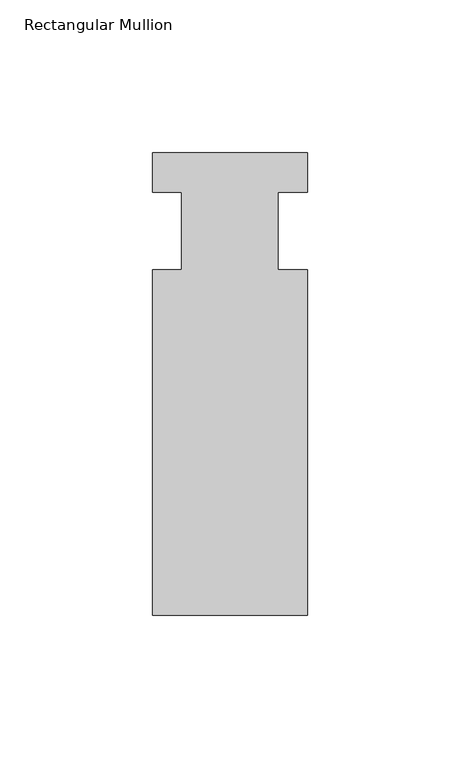
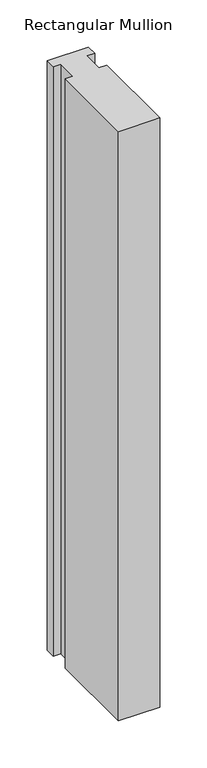
"""IFC4 building model written with IfcOpenShell, lengths in millimetres: member geometry, Rectangular Mullion."""

from ifc_helpers import new_model, si_unit, frame, origin, place, context, project, spatial, polyline, outline, extrude, source, transform, mapped, element, save


def rectangular_mullion_bace317a(model_context):
    return source(origin(), model_context, "Body", "SweptSolid", [
        extrude(outline(polyline([(-25.4, 25.796875), (25.4, 25.796875), (25.4, 12.7), (15.875, 12.7), (15.875, -12.7), (25.4, -12.7), (25.4, -125.809375), (-25.4, -125.809375), (-25.4, -12.7), (-15.875, -12.7), (-15.875, 12.7), (-25.4, 12.7), (-25.4, 25.796875)])), frame((0.0, 0.0, -764.22885), z_axis=(0.0, 0.0, 1.0), x_axis=(1.0, 0.0, 0.0)), (0.0, 0.0, 1.0), 764.22885),
    ])


if __name__ == "__main__":
    model = new_model("IFC4")
    model_context = context("Model", 3, world=origin())
    ifc_project = project(units=[si_unit("LENGTHUNIT", "METRE", prefix="MILLI")], contexts=[model_context])
    site = spatial("IfcSite", under=ifc_project)
    building = spatial("IfcBuilding", under=site)
    placement = place(None, origin())
    rectangular_mullion_shape = rectangular_mullion_bace317a(model_context)
    element("IfcMember", 1, ObjectType="Rectangular Mullion", at=placement, inside=building, context=model_context, shape_type="MappedRepresentation", body=[
        mapped(rectangular_mullion_shape, transform((0.0, 0.0, 0.0), x_axis=(1.0, 0.0, 0.0), y_axis=(0.0, 1.0, 0.0), z_axis=(0.0, 0.0, 1.0))),
    ])
    save(model, "model.ifc")
